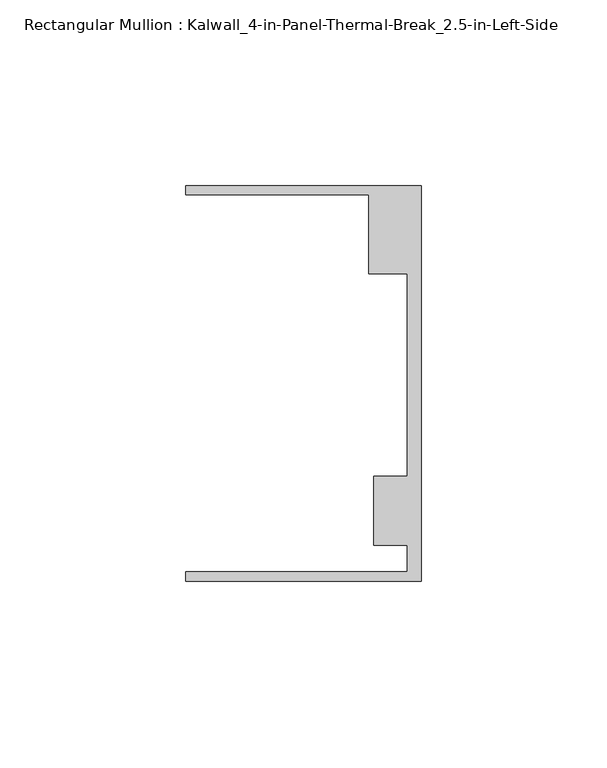
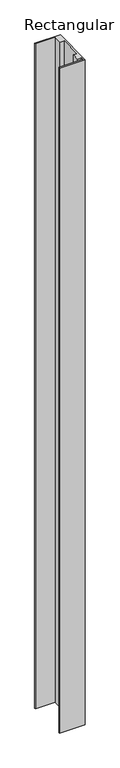
"""IFC4 building model written with IfcOpenShell, lengths in millimetres: member geometry, Rectangular Mullion : Kalwall_4-in-Panel-Thermal-Break_2.5-in-Left-Side."""

import ifcopenshell
import ifcopenshell.guid

model = None  # the IFC model being written
_history = None  # IfcOwnerHistory: only IFC2X3 demands one
_inside = {}  # id of a spatial element -> (the spatial element, [elements in it])
_under = {}  # id of a project, library or spatial element -> (it, [spatial elements below it])
_declared = {}  # id of a project -> (the project, [libraries it declares])
_typed = {}  # id of a type object -> (the type object, [elements of that type])
_made_of = {}  # id of a material, layer set ... -> (it, [elements and type objects made of it])


def new_model(schema):
    """Start an empty IFC model of exactly this schema.

    Asked for "IFC4X3", IfcOpenShell would pick the latest addendum, in which some entities
    have other attributes; the version numbers below select the first issue.
    IFC2X3 requires an IfcOwnerHistory on every rooted entity: one is made here for all.
    """
    global model, _history
    if schema == "IFC4X3":
        model = ifcopenshell.file(schema_version=(4, 3, 0, 0))
    else:
        model = ifcopenshell.file(schema=schema)
    _inside.clear()
    _under.clear()
    _declared.clear()
    _typed.clear()
    _made_of.clear()
    _history = None
    if model.schema == "IFC2X3":
        org = make("IfcOrganization", Name="unknown")
        user = make(
            "IfcPersonAndOrganization",
            ThePerson=make("IfcPerson", FamilyName="unknown"),
            TheOrganization=org,
        )
        app = make(
            "IfcApplication",
            ApplicationDeveloper=org,
            Version="unknown",
            ApplicationFullName="unknown",
            ApplicationIdentifier="unknown",
        )
        _history = make(
            "IfcOwnerHistory",
            OwningUser=user,
            OwningApplication=app,
            ChangeAction="ADDED",
            CreationDate=0,
        )
    return model


def make(cls, **values):
    """One entity of the class cls with the attributes given. An attribute that is None is left unset."""
    return model.create_entity(
        cls, **{name: value for name, value in values.items() if value is not None}
    )


def rooted(cls, **values):
    """An entity with a GlobalId (a new one), such as an element, a storey or a relation."""
    return make(cls, GlobalId=ifcopenshell.guid.new(), OwnerHistory=_history, **values)


def si_unit(unit_type, name, prefix=None):
    """IfcSIUnit, for example si_unit("LENGTHUNIT", "METRE", prefix="MILLI")."""
    return make("IfcSIUnit", UnitType=unit_type, Prefix=prefix, Name=name)


def assignment(units):
    """IfcUnitAssignment: the units of a project."""
    return None if units is None else make("IfcUnitAssignment", Units=units)


def point(xyz):
    """IfcCartesianPoint."""
    return None if xyz is None else make("IfcCartesianPoint", Coordinates=xyz)


def direction(xyz):
    """IfcDirection."""
    return None if xyz is None else make("IfcDirection", DirectionRatios=xyz)


def frame(location, z_axis=None, x_axis=None):
    """IfcAxis2Placement3D, a coordinate frame: its origin and axes. An axis left out is left unset."""
    return make(
        "IfcAxis2Placement3D",
        Location=point(location),
        Axis=direction(z_axis),
        RefDirection=direction(x_axis),
    )


def origin():
    """The frame at (0, 0, 0) with its axes left unset."""
    return frame((0.0, 0.0, 0.0))


def place(relative_to, where):
    """IfcLocalPlacement: puts the frame where relative to a parent placement (None: the world)."""
    return make(
        "IfcLocalPlacement", PlacementRelTo=relative_to, RelativePlacement=where
    )


def context(
    kind, dimensions, precision=None, world=None, true_north=None, identifier=None
):
    """IfcGeometricRepresentationContext, for example the 3D "Model" context."""
    return make(
        "IfcGeometricRepresentationContext",
        ContextIdentifier=identifier,
        ContextType=kind,
        CoordinateSpaceDimension=dimensions,
        Precision=precision,
        WorldCoordinateSystem=world,
        TrueNorth=true_north,
    )


def project(units=None, contexts=None):
    """IfcProject with its units and contexts."""
    return rooted(
        "IfcProject",
        Name="project",
        RepresentationContexts=contexts,
        UnitsInContext=assignment(units),
    )


def spatial(cls, under=None, at=None, **own):
    """A site, building, storey or space (cls), placed at a placement, below another one or the project."""
    s = rooted(cls, ObjectPlacement=at, **own)
    if under is not None:
        _under.setdefault(under.id(), (under, []))[1].append(s)
    return s


def polyline(points):
    """IfcPolyline through the points."""
    return make("IfcPolyline", Points=[point(p) for p in points])


def outline(outer, holes=None, kind="AREA"):
    """IfcArbitraryClosedProfileDef: a profile drawn as a closed curve; with holes, ...WithVoids."""
    if holes is None:
        return make("IfcArbitraryClosedProfileDef", ProfileType=kind, OuterCurve=outer)
    return make(
        "IfcArbitraryProfileDefWithVoids",
        ProfileType=kind,
        OuterCurve=outer,
        InnerCurves=holes,
    )


def extrude(swept, where, along, depth):
    """IfcExtrudedAreaSolid: the profile swept, set in the frame where, extruded along a direction by depth."""
    return make(
        "IfcExtrudedAreaSolid",
        SweptArea=swept,
        Position=where,
        ExtrudedDirection=direction(along),
        Depth=depth,
    )


def shape(context_of_items, identifier, shape_type, items):
    """IfcShapeRepresentation: the items that make up one representation, for example the "Body"."""
    return make(
        "IfcShapeRepresentation",
        ContextOfItems=context_of_items,
        RepresentationIdentifier=identifier,
        RepresentationType=shape_type,
        Items=items,
    )


def source(mapping_origin, context_of_items, identifier, shape_type, items):
    """IfcRepresentationMap: a shape defined once, which mapped items show again and again."""
    return make(
        "IfcRepresentationMap",
        MappingOrigin=mapping_origin,
        MappedRepresentation=shape(context_of_items, identifier, shape_type, items),
    )


def transform(
    local_origin,
    x_axis=None,
    y_axis=None,
    z_axis=None,
    scale=None,
    scale2=None,
    scale3=None,
    uniform=True,
):
    """IfcCartesianTransformationOperator3D, or its non-uniform kind. x_axis, y_axis, z_axis: its Axis1, 2, 3."""
    if uniform:
        return make(
            "IfcCartesianTransformationOperator3D",
            Axis1=direction(x_axis),
            Axis2=direction(y_axis),
            LocalOrigin=point(local_origin),
            Scale=scale,
            Axis3=direction(z_axis),
        )
    return make(
        "IfcCartesianTransformationOperator3DnonUniform",
        Axis1=direction(x_axis),
        Axis2=direction(y_axis),
        LocalOrigin=point(local_origin),
        Scale=scale,
        Axis3=direction(z_axis),
        Scale2=scale2,
        Scale3=scale3,
    )


def mapped(mapping_source, mapping_target):
    """IfcMappedItem: shows the shape of a source again, moved by a transform."""
    return make(
        "IfcMappedItem", MappingSource=mapping_source, MappingTarget=mapping_target
    )


def made_of(thing, what):
    """Note that an element or type object is made of a material, layer set ...; save() writes the relation."""
    if what is not None:
        _made_of.setdefault(what.id(), (what, []))[1].append(thing)
    return thing


def element(
    cls,
    number,
    at=None,
    inside=None,
    cuts=None,
    type_object=None,
    material=None,
    context=None,
    identifier="Body",
    shape_type=None,
    held_by="IfcProductDefinitionShape",
    body=None,
    shapes=None,
    **own,
):
    """One element of the class cls, such as IfcWall. Its Tag is "e" and its number.

    at: its placement. inside: the storey or other place that contains it. cuts: it is an
    opening in that element (IfcRelVoidsElement). A single representation is given by context,
    identifier, shape_type and body (its items); several are given by shapes. held_by: the class
    of the entity that holds the representations. save() writes the other relations.
    """
    e = rooted(cls, Tag="e%d" % number, ObjectPlacement=at, **own)
    if body is not None:
        shapes = [shape(context, identifier, shape_type, body)]
    if shapes is not None:
        e.Representation = make(held_by, Representations=shapes)
    if inside is not None:
        _inside.setdefault(inside.id(), (inside, []))[1].append(e)
    if cuts is not None:
        rooted(
            "IfcRelVoidsElement", RelatingBuildingElement=cuts, RelatedOpeningElement=e
        )
    if type_object is not None:
        _typed.setdefault(type_object.id(), (type_object, []))[1].append(e)
    return made_of(e, material)


def aggregate(whole, parts):
    """IfcRelAggregates: a whole, such as a stair, and the parts it consists of."""
    return rooted("IfcRelAggregates", RelatingObject=whole, RelatedObjects=parts)


def save(model, path):
    """Write the relations noted so far, then the file.

    IfcRelAggregates (storeys below a building ...), IfcRelContainedInSpatialStructure (elements
    in a storey), IfcRelDefinesByType, IfcRelAssociatesMaterial and IfcRelDeclares: one each for
    every whole, place, type object, material and project.
    """
    for whole, parts in _under.values():
        aggregate(whole, parts)
    for where, things in _inside.values():
        rooted(
            "IfcRelContainedInSpatialStructure",
            RelatedElements=things,
            RelatingStructure=where,
        )
    for kind, things in _typed.values():
        rooted("IfcRelDefinesByType", RelatedObjects=things, RelatingType=kind)
    for what, things in _made_of.values():
        rooted("IfcRelAssociatesMaterial", RelatedObjects=things, RelatingMaterial=what)
    for by, libraries in _declared.values():
        rooted("IfcRelDeclares", RelatingContext=by, RelatedDefinitions=libraries)
    model.write(path)


def rectangular_mullion_kalwall_4_in_panel_thermal_break_2_5_in_aa4344bc(model_context):
    return source(origin(), model_context, "Body", "SweptSolid", [
        extrude(outline(polyline([(0.0, -53.3026386), (-63.5, -53.3026386), (-63.5, -50.7626386), (-3.7084, -50.7626386), (-3.7084, -43.6138568), (-12.8272539, -43.6138568), (-12.8272539, -24.9129886), (-3.7084, -24.9129886), (-3.7084, 29.5648614), (-14.1732, 29.5648614), (-14.1732, 50.8373614), (-63.5, 50.8373614), (-63.5, 53.3773614), (0.0, 53.3773614), (0.0, -53.3026386)])), frame((0.0, 0.0, -1743.075), z_axis=(0.0, 0.0, 1.0), x_axis=(1.0, 0.0, 0.0)), (0.0, 0.0, 1.0), 1743.075),
    ])


if __name__ == "__main__":
    model = new_model("IFC4")
    model_context = context("Model", 3, world=origin())
    ifc_project = project(units=[si_unit("LENGTHUNIT", "METRE", prefix="MILLI")], contexts=[model_context])
    site = spatial("IfcSite", under=ifc_project)
    building = spatial("IfcBuilding", under=site)
    placement = place(None, origin())
    rectangular_mullion_kalwall_4_in_panel_thermal_break_2_5_in_shape = rectangular_mullion_kalwall_4_in_panel_thermal_break_2_5_in_aa4344bc(model_context)
    element("IfcMember", 1, ObjectType="Rectangular Mullion : Kalwall_4-in-Panel-Thermal-Break_2.5-in-Left-Side", at=placement, inside=building, context=model_context, shape_type="MappedRepresentation", body=[
        mapped(rectangular_mullion_kalwall_4_in_panel_thermal_break_2_5_in_shape, transform((0.0, 0.0, 0.0), x_axis=(1.0, 0.0, 0.0), y_axis=(0.0, 1.0, 0.0), z_axis=(0.0, 0.0, 1.0))),
    ])
    save(model, "model.ifc")
